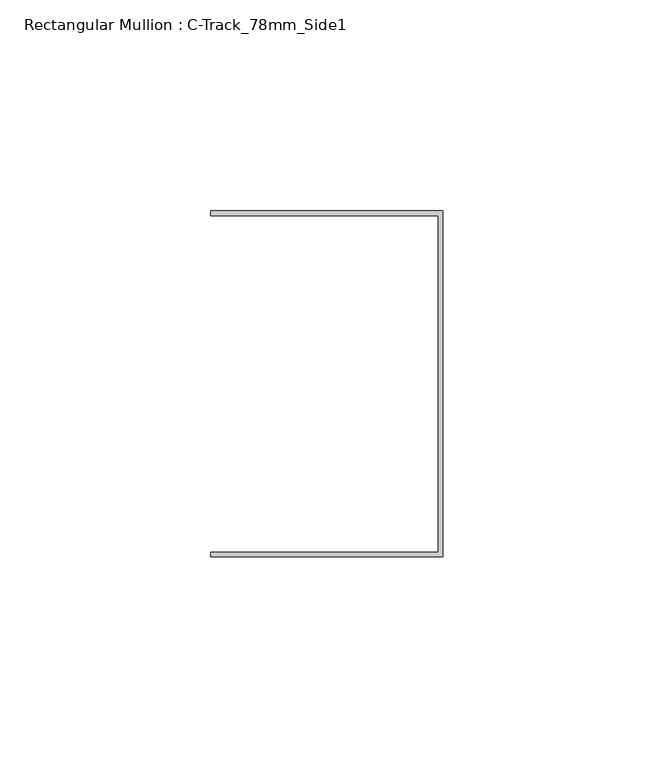
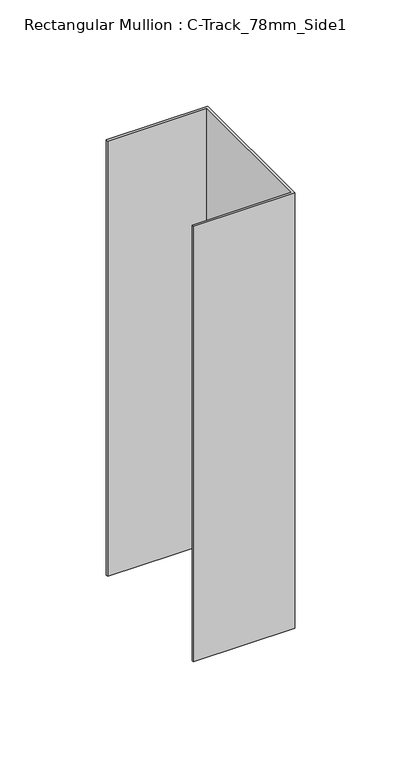
"""IFC4 building model written with IfcOpenShell, lengths in millimetres: member geometry, Rectangular Mullion : C-Track_78mm_Side1."""

from ifc_helpers import new_model, si_unit, frame, origin, place, context, project, spatial, polyline, outline, extrude, source, transform, mapped, element, save


def rectangular_mullion_c_track_78mm_side1_65a3997e(model_context):
    return source(origin(), model_context, "Body", "SweptSolid", [
        extrude(outline(polyline([(-1.15, 39.85), (-55.0, 39.85), (-55.0, 41.0), (0.0, 41.0), (0.0, -41.0), (-55.0, -41.0), (-55.0, -39.85), (-1.15, -39.85), (-1.15, 39.85)])), frame((0.0, 0.0, -250.0), z_axis=(0.0, 0.0, 1.0), x_axis=(1.0, 0.0, 0.0)), (0.0, 0.0, 1.0), 250.0),
    ])


if __name__ == "__main__":
    model = new_model("IFC4")
    model_context = context("Model", 3, world=origin())
    ifc_project = project(units=[si_unit("LENGTHUNIT", "METRE", prefix="MILLI")], contexts=[model_context])
    site = spatial("IfcSite", under=ifc_project)
    building = spatial("IfcBuilding", under=site)
    placement = place(None, origin())
    rectangular_mullion_c_track_78mm_side1_shape = rectangular_mullion_c_track_78mm_side1_65a3997e(model_context)
    element("IfcMember", 1, ObjectType="Rectangular Mullion : C-Track_78mm_Side1", at=placement, inside=building, context=model_context, shape_type="MappedRepresentation", body=[
        mapped(rectangular_mullion_c_track_78mm_side1_shape, transform((0.0, 0.0, 0.0), x_axis=(1.0, 0.0, 0.0), y_axis=(0.0, 1.0, 0.0), z_axis=(0.0, 0.0, 1.0))),
    ])
    save(model, "model.ifc")
